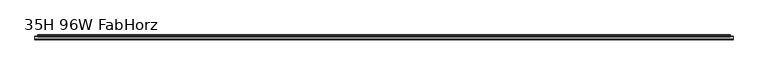
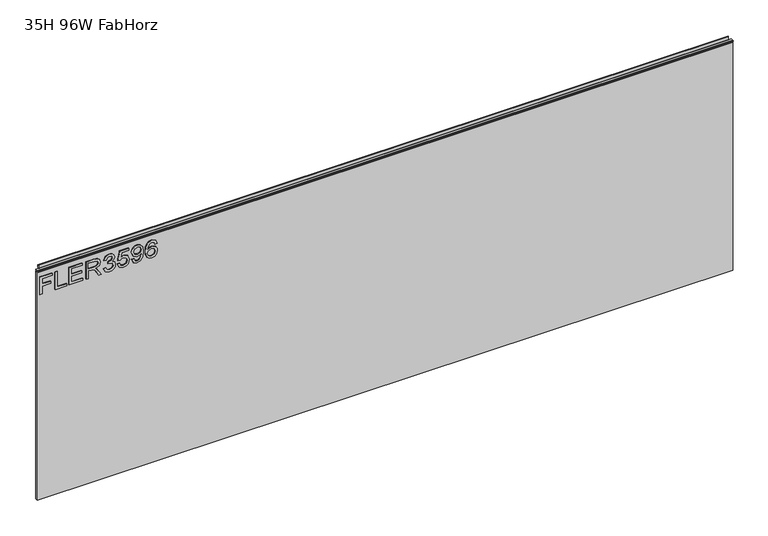
"""IFC4 building model written with IfcOpenShell, lengths in millimetres: furniture geometry, 35H 96W FabHorz."""

from ifc_helpers import new_model, si_unit, frame, origin, place, context, project, spatial, polyline, outline, extrude, source, transform, mapped, element, save


def furniture_35h_96w_fabhorz_55c63df6(model_context):
    return source(origin(), model_context, "Body", "SweptSolid", [
        extrude(outline(polyline([(773.6078, -291.2189953), (773.6078, -283.2452757), (802.5125336, -283.2452757), (802.5125336, -253.3438271), (810.4862532, -253.3438271), (810.4862532, -283.2452757), (829.4238373, -283.2452757), (829.4238373, -248.3602524), (837.3975569, -248.3602524), (837.3975569, -291.2189953), (773.6078, -291.2189953)])), frame((0.0, -5.5562439, 0.0), z_axis=(0.0, 1.0, 0.0), x_axis=(0.0, 0.0, 1.0)), (0.0, 0.0, 1.0), 2.38125),
        extrude(outline(polyline([(773.6078, -237.3963879), (773.6078, -197.5277898), (781.5815196, -197.5277898), (781.5815196, -229.4226683), (837.3975569, -229.4226683), (837.3975569, -237.3963879), (773.6078, -237.3963879)])), frame((0.0, -5.5562439, 0.0), z_axis=(0.0, 1.0, 0.0), x_axis=(0.0, 0.0, 1.0)), (0.0, 0.0, 1.0), 2.38125),
        extrude(outline(polyline([(773.6078, -188.5573553), (773.6078, -141.7117525), (781.5815196, -141.7117525), (781.5815196, -180.5836356), (802.5125336, -180.5836356), (802.5125336, -144.7018974), (810.4862532, -144.7018974), (810.4862532, -180.5836356), (829.4238373, -180.5836356), (829.4238373, -142.7084674), (837.3975569, -142.7084674), (837.3975569, -188.5573553), (773.6078, -188.5573553)])), frame((0.0, -5.5562439, 0.0), z_axis=(0.0, 1.0, 0.0), x_axis=(0.0, 0.0, 1.0)), (0.0, 0.0, 1.0), 2.38125),
        extrude(outline(polyline([(773.6078, -129.7511731), (773.6078, -121.7774534), (801.5158187, -121.7774534), (801.5158187, -112.1529247), (801.2354926, -107.5275444), (799.7170596, -103.7353554), (795.58225, -99.5226774), (786.8298468, -93.526814), (773.6078, -85.2260473), (773.6078, -75.959713), (790.894575, -86.5965304), (799.1018996, -93.0596039), (802.5125336, -97.5915422), (808.4461023, -84.2371192), (819.9394716, -79.9154255), (829.5873609, -82.5240154), (835.6766663, -89.50102), (837.3975569, -102.2636435), (837.3975569, -129.7511731), (773.6078, -129.7511731)]), holes=[polyline([(809.4895383, -121.7774534), (829.4238373, -121.7774534), (829.4238373, -101.9210228), (826.6672975, -91.2608449), (819.6435719, -87.8891451), (814.2317211, -89.6567567), (810.6186294, -94.8272156), (809.4895383, -103.9300263), (809.4895383, -121.7774534)])]), frame((0.0, -5.5562439, 0.0), z_axis=(0.0, 1.0, 0.0), x_axis=(0.0, 0.0, 1.0)), (0.0, 0.0, 1.0), 2.38125),
        extrude(outline(polyline([(790.5519542, -68.951561), (777.6102335, -62.6130768), (772.611085, -48.6279202), (774.0750101, -40.1052286), (778.4667854, -33.1944121), (784.9610063, -28.6157528), (792.7322681, -27.089533), (803.1043331, -30.1419725), (808.555118, -38.832081), (813.8345925, -32.2911391), (821.1853653, -30.0796778), (829.2291664, -32.4079417), (835.2094562, -39.1357676), (837.3975569, -48.7525095), (832.9590607, -61.4294778), (820.4534028, -67.954846), (819.4566878, -59.9811264), (826.9320499, -56.072135), (829.4238373, -48.4721834), (826.9554105, -40.965674), (820.7181552, -38.0533975), (813.6788558, -42.0714046), (811.4829682, -52.3967486), (803.5092486, -53.2844478), (804.3813742, -47.6934999), (801.11869, -38.6296233), (792.8724312, -35.0632526), (784.120028, -38.6607706), (780.5848047, -48.3475941), (783.1544604, -56.5782793), (791.5486691, -60.9778414), (790.5519542, -68.951561)])), frame((0.0, -5.5562439, 0.0), z_axis=(0.0, 1.0, 0.0), x_axis=(0.0, 0.0, 1.0)), (0.0, 0.0, 1.0), 2.38125),
        extrude(outline(polyline([(790.5519542, -20.1125283), (777.5245783, -13.8908467), (772.611085, 0.1799652), (774.5227532, 9.5708889), (780.2577576, 16.7503512), (795.0527451, 21.7494997), (809.7542907, 16.1974859), (815.469828, 2.5627368), (810.8600213, -9.1019428), (828.4271224, -5.6913089), (828.4271224, 18.7593548), (836.400842, 18.7593548), (836.400842, -12.1388087), (803.5092486, -19.1158134), (802.5125336, -11.1420937), (806.1100516, -6.6646633), (807.4961084, 0.3357019), (804.0231797, 10.4352276), (794.5543877, 13.7757801), (784.4081409, 10.2094094), (780.5848047, 0.2111125), (783.3335576, -8.1208015), (791.5486691, -12.1388087), (790.5519542, -20.1125283)])), frame((0.0, -5.5562439, 0.0), z_axis=(0.0, 1.0, 0.0), x_axis=(0.0, 0.0, 1.0)), (0.0, 0.0, 1.0), 2.38125),
        extrude(outline(polyline([(789.5552392, 29.7232193), (777.0573682, 35.4387566), (772.611085, 47.6952358), (776.3799135, 60.0062228), (787.3515648, 67.9254346), (806.7174248, 70.5885323), (824.5648519, 67.9176477), (834.0647913, 60.0996648), (837.3975569, 48.7386717), (835.9375253, 40.8642343), (831.5574303, 34.4342548), (824.7828833, 30.153442), (816.1394959, 28.7265043), (801.2043452, 34.1695024), (795.5355289, 47.4927781), (797.8560059, 56.2373944), (802.3412232, 62.6615337), (793.0904626, 61.5090821), (786.1601789, 58.9004922), (782.1032376, 54.5242906), (780.5848047, 48.0690039), (782.9442158, 41.2788833), (790.5519542, 37.6969389), (789.5552392, 29.7232193)]), holes=[polyline([(816.3263799, 62.6148127), (806.9120957, 59.0095079), (803.5092486, 49.8132551), (806.9120957, 40.2354473), (815.7501541, 36.700224), (825.6160747, 40.437905), (829.4238373, 50.0312864), (825.888614, 59.1730314), (816.3263799, 62.6148127)])]), frame((0.0, -5.5562439, 0.0), z_axis=(0.0, 1.0, 0.0), x_axis=(0.0, 0.0, 1.0)), (0.0, 0.0, 1.0), 2.38125),
        extrude(outline(polyline([(820.4534028, 118.43085), (832.896766, 112.5440024), (837.3975569, 99.9449024), (835.5793308, 90.6902483), (830.1246525, 83.5458267), (819.2659103, 78.3130732), (803.3846592, 76.5688221), (789.2593395, 78.1398161), (779.7749738, 82.8527984), (774.4020572, 90.057568), (772.611085, 99.1039242), (775.313117, 109.5538575), (783.0999526, 116.7956146), (794.1027512, 119.427565), (802.2750351, 118.029828), (808.7887231, 113.8366171), (814.473113, 100.2875232), (812.3940279, 91.5740542), (806.0321833, 84.5425417), (820.2431582, 86.8085108), (827.4927021, 92.2515089), (829.4238373, 99.4465449), (826.1066454, 107.4358382), (819.4566878, 110.4571304), (820.4534028, 118.43085)]), holes=[polyline([(794.2273406, 84.5425417), (803.11212, 88.506041), (806.4993934, 98.1539302), (803.11212, 107.9264089), (793.8379988, 111.4538454), (784.1511754, 107.8796879), (780.5848047, 98.4809773), (782.3056953, 91.2937281), (787.3204174, 86.3880217), (794.2273406, 84.5425417)])]), frame((0.0, -5.5562439, 0.0), z_axis=(0.0, 1.0, 0.0), x_axis=(0.0, 0.0, 1.0)), (0.0, 0.0, 1.0), 2.38125),
        extrude(outline(polyline([(5.5562561, 863.6), (6.3500061, 863.6), (6.3500061, 873.47425), (7.1437561, 874.268), (8.6677569, 874.268), (10.0084363, 873.8506926), (10.875413, 872.7461816), (10.9623604, 871.3447591), (10.2390011, 868.3863459), (10.4046103, 867.1833307), (11.6746103, 864.9836103), (10.7786383, 864.4663244), (7.1437561, 864.4663244), (7.1437561, 863.6), (6.3500061, 863.3669239), (6.3500061, 856.1578), (5.5562561, 856.1578), (5.5562561, 863.6)])), frame((-288.671, 0.0, 0.0), z_axis=(1.0, 0.0, 0.0), x_axis=(0.0, 1.0, 0.0)), (0.0, 0.0, 1.0), 2406.142),
        extrude(outline(polyline([(5.5562561, 863.6), (5.5562561, 860.4249996), (-3.975094, 860.4249996), (-5.3492339, 861.2183657), (-5.3492339, 862.8066395), (-3.9751037, 863.6), (5.5562561, 863.6)])), frame((-298.196, 0.0, 0.0), z_axis=(1.0, 0.0, 0.0), x_axis=(0.0, 1.0, 0.0)), (0.0, 0.0, 1.0), 2425.192),
        extrude(outline(polyline([(2126.996, 6.3500061), (2126.996, -3.1749939), (-298.196, -3.1749939), (-298.196, 6.3500061), (2126.996, 6.3500061)])), frame((0.0, 0.0, 15.79626), z_axis=(0.0, 0.0, 1.0), x_axis=(1.0, 0.0, 0.0)), (0.0, 0.0, 1.0), 840.36154),
    ])


if __name__ == "__main__":
    model = new_model("IFC4")
    model_context = context("Model", 3, world=origin())
    ifc_project = project(units=[si_unit("LENGTHUNIT", "METRE", prefix="MILLI")], contexts=[model_context])
    site = spatial("IfcSite", under=ifc_project)
    building = spatial("IfcBuilding", under=site)
    placement = place(None, origin())
    furniture_35h_96w_fabhorz_shape = furniture_35h_96w_fabhorz_55c63df6(model_context)
    element("IfcFurniture", 1, ObjectType="35H 96W FabHorz", at=placement, inside=building, context=model_context, shape_type="MappedRepresentation", body=[
        mapped(furniture_35h_96w_fabhorz_shape, transform((0.0, 0.0, 0.0), x_axis=(1.0, 0.0, 0.0), y_axis=(0.0, 1.0, 0.0), z_axis=(0.0, 0.0, 1.0))),
    ])
    save(model, "model.ifc")
